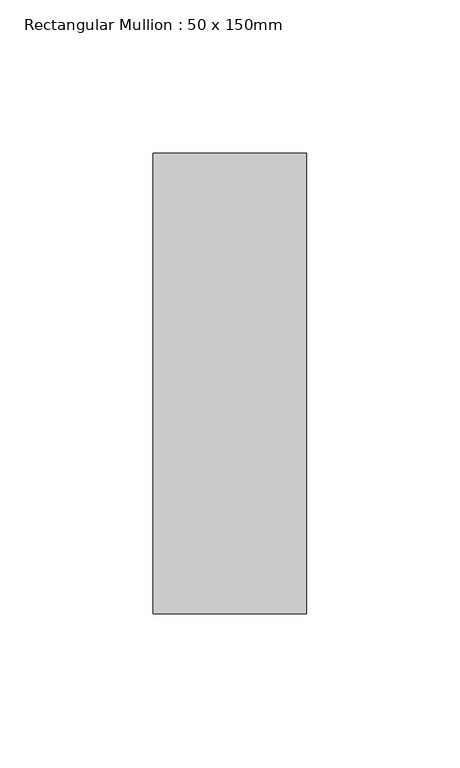
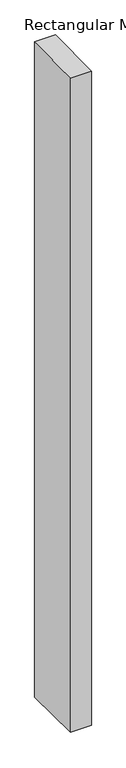
"""IFC4 building model written with IfcOpenShell, lengths in millimetres: member geometry, Rectangular Mullion : 50 x 150mm."""

import ifcopenshell
import ifcopenshell.guid

model = None  # the IFC model being written
_history = None  # IfcOwnerHistory: only IFC2X3 demands one
_inside = {}  # id of a spatial element -> (the spatial element, [elements in it])
_under = {}  # id of a project, library or spatial element -> (it, [spatial elements below it])
_declared = {}  # id of a project -> (the project, [libraries it declares])
_typed = {}  # id of a type object -> (the type object, [elements of that type])
_made_of = {}  # id of a material, layer set ... -> (it, [elements and type objects made of it])


def new_model(schema):
    """Start an empty IFC model of exactly this schema.

    Asked for "IFC4X3", IfcOpenShell would pick the latest addendum, in which some entities
    have other attributes; the version numbers below select the first issue.
    IFC2X3 requires an IfcOwnerHistory on every rooted entity: one is made here for all.
    """
    global model, _history
    if schema == "IFC4X3":
        model = ifcopenshell.file(schema_version=(4, 3, 0, 0))
    else:
        model = ifcopenshell.file(schema=schema)
    _inside.clear()
    _under.clear()
    _declared.clear()
    _typed.clear()
    _made_of.clear()
    _history = None
    if model.schema == "IFC2X3":
        org = make("IfcOrganization", Name="unknown")
        user = make(
            "IfcPersonAndOrganization",
            ThePerson=make("IfcPerson", FamilyName="unknown"),
            TheOrganization=org,
        )
        app = make(
            "IfcApplication",
            ApplicationDeveloper=org,
            Version="unknown",
            ApplicationFullName="unknown",
            ApplicationIdentifier="unknown",
        )
        _history = make(
            "IfcOwnerHistory",
            OwningUser=user,
            OwningApplication=app,
            ChangeAction="ADDED",
            CreationDate=0,
        )
    return model


def make(cls, **values):
    """One entity of the class cls with the attributes given. An attribute that is None is left unset."""
    return model.create_entity(
        cls, **{name: value for name, value in values.items() if value is not None}
    )


def rooted(cls, **values):
    """An entity with a GlobalId (a new one), such as an element, a storey or a relation."""
    return make(cls, GlobalId=ifcopenshell.guid.new(), OwnerHistory=_history, **values)


def si_unit(unit_type, name, prefix=None):
    """IfcSIUnit, for example si_unit("LENGTHUNIT", "METRE", prefix="MILLI")."""
    return make("IfcSIUnit", UnitType=unit_type, Prefix=prefix, Name=name)


def assignment(units):
    """IfcUnitAssignment: the units of a project."""
    return None if units is None else make("IfcUnitAssignment", Units=units)


def point(xyz):
    """IfcCartesianPoint."""
    return None if xyz is None else make("IfcCartesianPoint", Coordinates=xyz)


def direction(xyz):
    """IfcDirection."""
    return None if xyz is None else make("IfcDirection", DirectionRatios=xyz)


def frame(location, z_axis=None, x_axis=None):
    """IfcAxis2Placement3D, a coordinate frame: its origin and axes. An axis left out is left unset."""
    return make(
        "IfcAxis2Placement3D",
        Location=point(location),
        Axis=direction(z_axis),
        RefDirection=direction(x_axis),
    )


def origin():
    """The frame at (0, 0, 0) with its axes left unset."""
    return frame((0.0, 0.0, 0.0))


def place(relative_to, where):
    """IfcLocalPlacement: puts the frame where relative to a parent placement (None: the world)."""
    return make(
        "IfcLocalPlacement", PlacementRelTo=relative_to, RelativePlacement=where
    )


def context(
    kind, dimensions, precision=None, world=None, true_north=None, identifier=None
):
    """IfcGeometricRepresentationContext, for example the 3D "Model" context."""
    return make(
        "IfcGeometricRepresentationContext",
        ContextIdentifier=identifier,
        ContextType=kind,
        CoordinateSpaceDimension=dimensions,
        Precision=precision,
        WorldCoordinateSystem=world,
        TrueNorth=true_north,
    )


def project(units=None, contexts=None):
    """IfcProject with its units and contexts."""
    return rooted(
        "IfcProject",
        Name="project",
        RepresentationContexts=contexts,
        UnitsInContext=assignment(units),
    )


def spatial(cls, under=None, at=None, **own):
    """A site, building, storey or space (cls), placed at a placement, below another one or the project."""
    s = rooted(cls, ObjectPlacement=at, **own)
    if under is not None:
        _under.setdefault(under.id(), (under, []))[1].append(s)
    return s


def polyline(points):
    """IfcPolyline through the points."""
    return make("IfcPolyline", Points=[point(p) for p in points])


def outline(outer, holes=None, kind="AREA"):
    """IfcArbitraryClosedProfileDef: a profile drawn as a closed curve; with holes, ...WithVoids."""
    if holes is None:
        return make("IfcArbitraryClosedProfileDef", ProfileType=kind, OuterCurve=outer)
    return make(
        "IfcArbitraryProfileDefWithVoids",
        ProfileType=kind,
        OuterCurve=outer,
        InnerCurves=holes,
    )


def extrude(swept, where, along, depth):
    """IfcExtrudedAreaSolid: the profile swept, set in the frame where, extruded along a direction by depth."""
    return make(
        "IfcExtrudedAreaSolid",
        SweptArea=swept,
        Position=where,
        ExtrudedDirection=direction(along),
        Depth=depth,
    )


def shape(context_of_items, identifier, shape_type, items):
    """IfcShapeRepresentation: the items that make up one representation, for example the "Body"."""
    return make(
        "IfcShapeRepresentation",
        ContextOfItems=context_of_items,
        RepresentationIdentifier=identifier,
        RepresentationType=shape_type,
        Items=items,
    )


def source(mapping_origin, context_of_items, identifier, shape_type, items):
    """IfcRepresentationMap: a shape defined once, which mapped items show again and again."""
    return make(
        "IfcRepresentationMap",
        MappingOrigin=mapping_origin,
        MappedRepresentation=shape(context_of_items, identifier, shape_type, items),
    )


def transform(
    local_origin,
    x_axis=None,
    y_axis=None,
    z_axis=None,
    scale=None,
    scale2=None,
    scale3=None,
    uniform=True,
):
    """IfcCartesianTransformationOperator3D, or its non-uniform kind. x_axis, y_axis, z_axis: its Axis1, 2, 3."""
    if uniform:
        return make(
            "IfcCartesianTransformationOperator3D",
            Axis1=direction(x_axis),
            Axis2=direction(y_axis),
            LocalOrigin=point(local_origin),
            Scale=scale,
            Axis3=direction(z_axis),
        )
    return make(
        "IfcCartesianTransformationOperator3DnonUniform",
        Axis1=direction(x_axis),
        Axis2=direction(y_axis),
        LocalOrigin=point(local_origin),
        Scale=scale,
        Axis3=direction(z_axis),
        Scale2=scale2,
        Scale3=scale3,
    )


def mapped(mapping_source, mapping_target):
    """IfcMappedItem: shows the shape of a source again, moved by a transform."""
    return make(
        "IfcMappedItem", MappingSource=mapping_source, MappingTarget=mapping_target
    )


def made_of(thing, what):
    """Note that an element or type object is made of a material, layer set ...; save() writes the relation."""
    if what is not None:
        _made_of.setdefault(what.id(), (what, []))[1].append(thing)
    return thing


def element(
    cls,
    number,
    at=None,
    inside=None,
    cuts=None,
    type_object=None,
    material=None,
    context=None,
    identifier="Body",
    shape_type=None,
    held_by="IfcProductDefinitionShape",
    body=None,
    shapes=None,
    **own,
):
    """One element of the class cls, such as IfcWall. Its Tag is "e" and its number.

    at: its placement. inside: the storey or other place that contains it. cuts: it is an
    opening in that element (IfcRelVoidsElement). A single representation is given by context,
    identifier, shape_type and body (its items); several are given by shapes. held_by: the class
    of the entity that holds the representations. save() writes the other relations.
    """
    e = rooted(cls, Tag="e%d" % number, ObjectPlacement=at, **own)
    if body is not None:
        shapes = [shape(context, identifier, shape_type, body)]
    if shapes is not None:
        e.Representation = make(held_by, Representations=shapes)
    if inside is not None:
        _inside.setdefault(inside.id(), (inside, []))[1].append(e)
    if cuts is not None:
        rooted(
            "IfcRelVoidsElement", RelatingBuildingElement=cuts, RelatedOpeningElement=e
        )
    if type_object is not None:
        _typed.setdefault(type_object.id(), (type_object, []))[1].append(e)
    return made_of(e, material)


def aggregate(whole, parts):
    """IfcRelAggregates: a whole, such as a stair, and the parts it consists of."""
    return rooted("IfcRelAggregates", RelatingObject=whole, RelatedObjects=parts)


def save(model, path):
    """Write the relations noted so far, then the file.

    IfcRelAggregates (storeys below a building ...), IfcRelContainedInSpatialStructure (elements
    in a storey), IfcRelDefinesByType, IfcRelAssociatesMaterial and IfcRelDeclares: one each for
    every whole, place, type object, material and project.
    """
    for whole, parts in _under.values():
        aggregate(whole, parts)
    for where, things in _inside.values():
        rooted(
            "IfcRelContainedInSpatialStructure",
            RelatedElements=things,
            RelatingStructure=where,
        )
    for kind, things in _typed.values():
        rooted("IfcRelDefinesByType", RelatedObjects=things, RelatingType=kind)
    for what, things in _made_of.values():
        rooted("IfcRelAssociatesMaterial", RelatedObjects=things, RelatingMaterial=what)
    for by, libraries in _declared.values():
        rooted("IfcRelDeclares", RelatingContext=by, RelatedDefinitions=libraries)
    model.write(path)


def rectangular_mullion_50_x_150mm_00d88db3(model_context):
    return source(origin(), model_context, "Body", "SweptSolid", [
        extrude(outline(polyline([(-75.0, -1.0811309), (75.0, 1.0811309), (75.0, -1669.3721975), (-75.0, -1667.2099358), (-75.0, -1.0811309)])), frame((-50.0, 0.0, 0.0), z_axis=(1.0, 0.0, 0.0), x_axis=(0.0, 1.0, 0.0)), (0.0, 0.0, 1.0), 50.0),
    ])


if __name__ == "__main__":
    model = new_model("IFC4")
    model_context = context("Model", 3, world=origin())
    ifc_project = project(units=[si_unit("LENGTHUNIT", "METRE", prefix="MILLI")], contexts=[model_context])
    site = spatial("IfcSite", under=ifc_project)
    building = spatial("IfcBuilding", under=site)
    placement = place(None, origin())
    rectangular_mullion_50_x_150mm_shape = rectangular_mullion_50_x_150mm_00d88db3(model_context)
    element("IfcMember", 1, ObjectType="Rectangular Mullion : 50 x 150mm", at=placement, inside=building, context=model_context, shape_type="MappedRepresentation", body=[
        mapped(rectangular_mullion_50_x_150mm_shape, transform((0.0, 0.0, 0.0), x_axis=(1.0, 0.0, 0.0), y_axis=(0.0, 1.0, 0.0), z_axis=(0.0, 0.0, 1.0))),
    ])
    save(model, "model.ifc")
